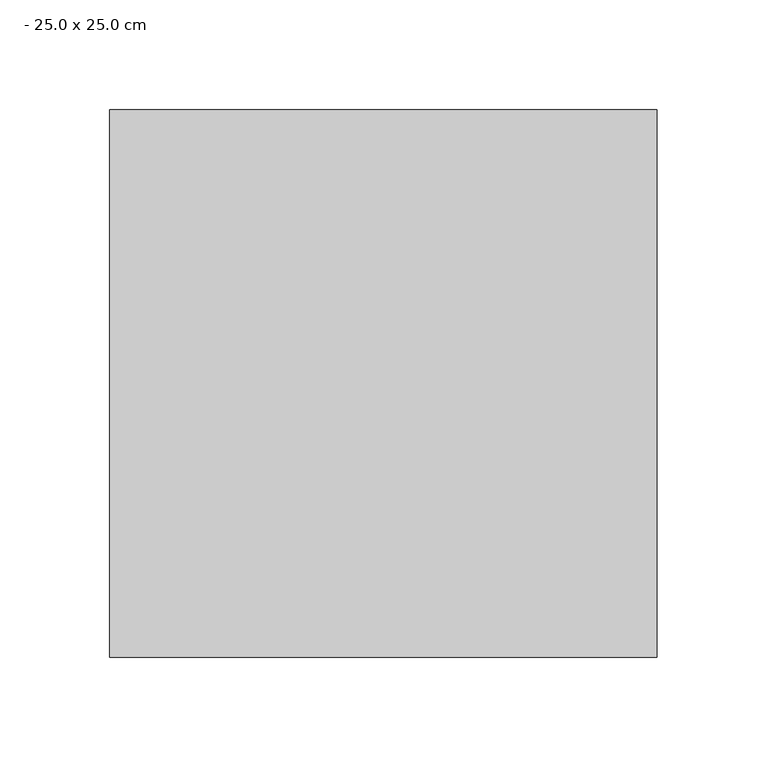
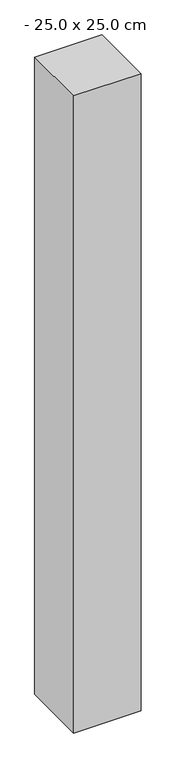
"""IFC4 building model written with IfcOpenShell, lengths in millimetres: column geometry, - 25.0 x 25.0 cm."""

from ifc_helpers import new_model, si_unit, origin, origin_with_axes, place, context, project, spatial, polyline, outline, extrude, source, transform, mapped, element, save


def column_25_0_x_25_0_cm_426eb0ba(model_context):
    return source(origin(), model_context, "Body", "SweptSolid", [
        extrude(outline(polyline([(50.0, 125.0), (50.0, -125.0), (-200.0, -125.0), (-200.0, 125.0), (50.0, 125.0)])), origin_with_axes(), (0.0, 0.0, 1.0), 2500.0),
    ])


if __name__ == "__main__":
    model = new_model("IFC4")
    model_context = context("Model", 3, world=origin())
    ifc_project = project(units=[si_unit("LENGTHUNIT", "METRE", prefix="MILLI")], contexts=[model_context])
    site = spatial("IfcSite", under=ifc_project)
    building = spatial("IfcBuilding", under=site)
    placement = place(None, origin())
    column_25_0_x_25_0_cm_shape = column_25_0_x_25_0_cm_426eb0ba(model_context)
    element("IfcColumn", 1, ObjectType="- 25.0 x 25.0 cm", at=placement, inside=building, context=model_context, shape_type="MappedRepresentation", body=[
        mapped(column_25_0_x_25_0_cm_shape, transform((0.0, 0.0, 0.0), x_axis=(1.0, 0.0, 0.0), y_axis=(0.0, 1.0, 0.0), z_axis=(0.0, 0.0, 1.0))),
    ])
    save(model, "model.ifc")
